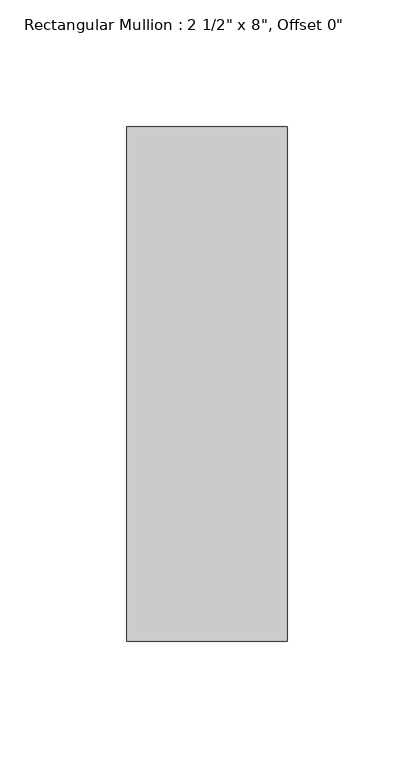
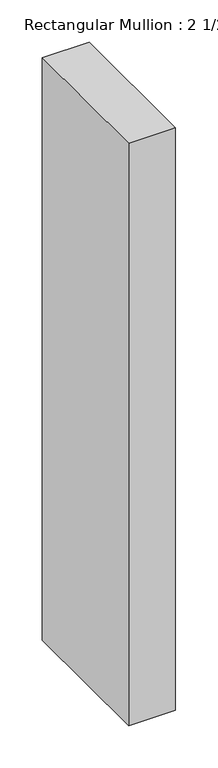
"""IFC4 building model written with IfcOpenShell, lengths in millimetres: member geometry."""

from ifc_helpers import new_model, si_unit, frame, origin, place, context, project, spatial, polyline, outline, extrude, source, transform, mapped, element, save


def member_20737a3c(model_context):
    return source(origin(), model_context, "Body", "SweptSolid", [
        extrude(outline(polyline([(31.75, 101.6), (31.75, -101.6), (-31.75, -101.6), (-31.75, 101.6), (31.75, 101.6)])), frame((0.0, 0.0, -838.2), z_axis=(0.0, 0.0, 1.0), x_axis=(1.0, 0.0, 0.0)), (0.0, 0.0, 1.0), 838.2),
    ])


if __name__ == "__main__":
    model = new_model("IFC4")
    model_context = context("Model", 3, world=origin())
    ifc_project = project(units=[si_unit("LENGTHUNIT", "METRE", prefix="MILLI")], contexts=[model_context])
    site = spatial("IfcSite", under=ifc_project)
    building = spatial("IfcBuilding", under=site)
    placement = place(None, origin())
    member_shape = member_20737a3c(model_context)
    element("IfcMember", 1, ObjectType="Rectangular Mullion : 2 1/2\" x 8\", Offset 0\"", at=placement, inside=building, context=model_context, shape_type="MappedRepresentation", body=[
        mapped(member_shape, transform((0.0, 0.0, 0.0), x_axis=(1.0, 0.0, 0.0), y_axis=(0.0, 1.0, 0.0), z_axis=(0.0, 0.0, 1.0))),
    ])
    save(model, "model.ifc")
